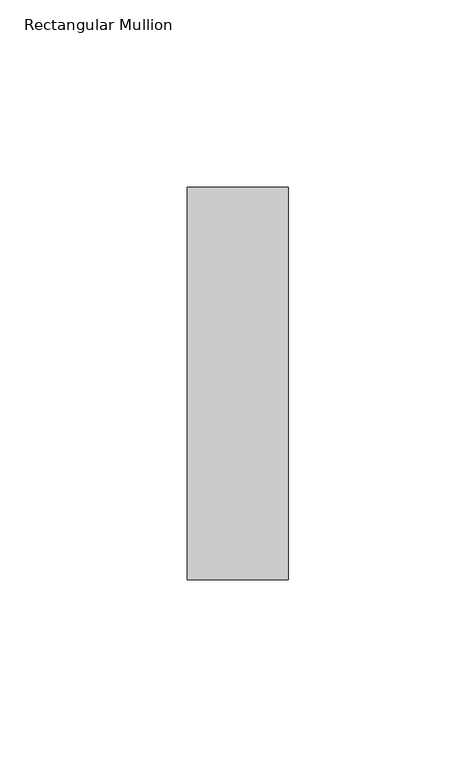
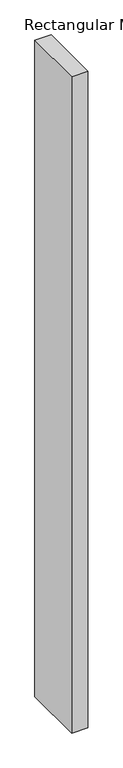
"""IFC4 building model written with IfcOpenShell, lengths in millimetres: member geometry, Rectangular Mullion."""

import ifcopenshell
import ifcopenshell.guid

model = None  # the IFC model being written
_history = None  # IfcOwnerHistory: only IFC2X3 demands one
_inside = {}  # id of a spatial element -> (the spatial element, [elements in it])
_under = {}  # id of a project, library or spatial element -> (it, [spatial elements below it])
_declared = {}  # id of a project -> (the project, [libraries it declares])
_typed = {}  # id of a type object -> (the type object, [elements of that type])
_made_of = {}  # id of a material, layer set ... -> (it, [elements and type objects made of it])


def new_model(schema):
    """Start an empty IFC model of exactly this schema.

    Asked for "IFC4X3", IfcOpenShell would pick the latest addendum, in which some entities
    have other attributes; the version numbers below select the first issue.
    IFC2X3 requires an IfcOwnerHistory on every rooted entity: one is made here for all.
    """
    global model, _history
    if schema == "IFC4X3":
        model = ifcopenshell.file(schema_version=(4, 3, 0, 0))
    else:
        model = ifcopenshell.file(schema=schema)
    _inside.clear()
    _under.clear()
    _declared.clear()
    _typed.clear()
    _made_of.clear()
    _history = None
    if model.schema == "IFC2X3":
        org = make("IfcOrganization", Name="unknown")
        user = make(
            "IfcPersonAndOrganization",
            ThePerson=make("IfcPerson", FamilyName="unknown"),
            TheOrganization=org,
        )
        app = make(
            "IfcApplication",
            ApplicationDeveloper=org,
            Version="unknown",
            ApplicationFullName="unknown",
            ApplicationIdentifier="unknown",
        )
        _history = make(
            "IfcOwnerHistory",
            OwningUser=user,
            OwningApplication=app,
            ChangeAction="ADDED",
            CreationDate=0,
        )
    return model


def make(cls, **values):
    """One entity of the class cls with the attributes given. An attribute that is None is left unset."""
    return model.create_entity(
        cls, **{name: value for name, value in values.items() if value is not None}
    )


def rooted(cls, **values):
    """An entity with a GlobalId (a new one), such as an element, a storey or a relation."""
    return make(cls, GlobalId=ifcopenshell.guid.new(), OwnerHistory=_history, **values)


def si_unit(unit_type, name, prefix=None):
    """IfcSIUnit, for example si_unit("LENGTHUNIT", "METRE", prefix="MILLI")."""
    return make("IfcSIUnit", UnitType=unit_type, Prefix=prefix, Name=name)


def assignment(units):
    """IfcUnitAssignment: the units of a project."""
    return None if units is None else make("IfcUnitAssignment", Units=units)


def point(xyz):
    """IfcCartesianPoint."""
    return None if xyz is None else make("IfcCartesianPoint", Coordinates=xyz)


def direction(xyz):
    """IfcDirection."""
    return None if xyz is None else make("IfcDirection", DirectionRatios=xyz)


def frame(location, z_axis=None, x_axis=None):
    """IfcAxis2Placement3D, a coordinate frame: its origin and axes. An axis left out is left unset."""
    return make(
        "IfcAxis2Placement3D",
        Location=point(location),
        Axis=direction(z_axis),
        RefDirection=direction(x_axis),
    )


def origin():
    """The frame at (0, 0, 0) with its axes left unset."""
    return frame((0.0, 0.0, 0.0))


def place(relative_to, where):
    """IfcLocalPlacement: puts the frame where relative to a parent placement (None: the world)."""
    return make(
        "IfcLocalPlacement", PlacementRelTo=relative_to, RelativePlacement=where
    )


def context(
    kind, dimensions, precision=None, world=None, true_north=None, identifier=None
):
    """IfcGeometricRepresentationContext, for example the 3D "Model" context."""
    return make(
        "IfcGeometricRepresentationContext",
        ContextIdentifier=identifier,
        ContextType=kind,
        CoordinateSpaceDimension=dimensions,
        Precision=precision,
        WorldCoordinateSystem=world,
        TrueNorth=true_north,
    )


def project(units=None, contexts=None):
    """IfcProject with its units and contexts."""
    return rooted(
        "IfcProject",
        Name="project",
        RepresentationContexts=contexts,
        UnitsInContext=assignment(units),
    )


def spatial(cls, under=None, at=None, **own):
    """A site, building, storey or space (cls), placed at a placement, below another one or the project."""
    s = rooted(cls, ObjectPlacement=at, **own)
    if under is not None:
        _under.setdefault(under.id(), (under, []))[1].append(s)
    return s


def polyline(points):
    """IfcPolyline through the points."""
    return make("IfcPolyline", Points=[point(p) for p in points])


def outline(outer, holes=None, kind="AREA"):
    """IfcArbitraryClosedProfileDef: a profile drawn as a closed curve; with holes, ...WithVoids."""
    if holes is None:
        return make("IfcArbitraryClosedProfileDef", ProfileType=kind, OuterCurve=outer)
    return make(
        "IfcArbitraryProfileDefWithVoids",
        ProfileType=kind,
        OuterCurve=outer,
        InnerCurves=holes,
    )


def extrude(swept, where, along, depth):
    """IfcExtrudedAreaSolid: the profile swept, set in the frame where, extruded along a direction by depth."""
    return make(
        "IfcExtrudedAreaSolid",
        SweptArea=swept,
        Position=where,
        ExtrudedDirection=direction(along),
        Depth=depth,
    )


def shape(context_of_items, identifier, shape_type, items):
    """IfcShapeRepresentation: the items that make up one representation, for example the "Body"."""
    return make(
        "IfcShapeRepresentation",
        ContextOfItems=context_of_items,
        RepresentationIdentifier=identifier,
        RepresentationType=shape_type,
        Items=items,
    )


def source(mapping_origin, context_of_items, identifier, shape_type, items):
    """IfcRepresentationMap: a shape defined once, which mapped items show again and again."""
    return make(
        "IfcRepresentationMap",
        MappingOrigin=mapping_origin,
        MappedRepresentation=shape(context_of_items, identifier, shape_type, items),
    )


def transform(
    local_origin,
    x_axis=None,
    y_axis=None,
    z_axis=None,
    scale=None,
    scale2=None,
    scale3=None,
    uniform=True,
):
    """IfcCartesianTransformationOperator3D, or its non-uniform kind. x_axis, y_axis, z_axis: its Axis1, 2, 3."""
    if uniform:
        return make(
            "IfcCartesianTransformationOperator3D",
            Axis1=direction(x_axis),
            Axis2=direction(y_axis),
            LocalOrigin=point(local_origin),
            Scale=scale,
            Axis3=direction(z_axis),
        )
    return make(
        "IfcCartesianTransformationOperator3DnonUniform",
        Axis1=direction(x_axis),
        Axis2=direction(y_axis),
        LocalOrigin=point(local_origin),
        Scale=scale,
        Axis3=direction(z_axis),
        Scale2=scale2,
        Scale3=scale3,
    )


def mapped(mapping_source, mapping_target):
    """IfcMappedItem: shows the shape of a source again, moved by a transform."""
    return make(
        "IfcMappedItem", MappingSource=mapping_source, MappingTarget=mapping_target
    )


def made_of(thing, what):
    """Note that an element or type object is made of a material, layer set ...; save() writes the relation."""
    if what is not None:
        _made_of.setdefault(what.id(), (what, []))[1].append(thing)
    return thing


def element(
    cls,
    number,
    at=None,
    inside=None,
    cuts=None,
    type_object=None,
    material=None,
    context=None,
    identifier="Body",
    shape_type=None,
    held_by="IfcProductDefinitionShape",
    body=None,
    shapes=None,
    **own,
):
    """One element of the class cls, such as IfcWall. Its Tag is "e" and its number.

    at: its placement. inside: the storey or other place that contains it. cuts: it is an
    opening in that element (IfcRelVoidsElement). A single representation is given by context,
    identifier, shape_type and body (its items); several are given by shapes. held_by: the class
    of the entity that holds the representations. save() writes the other relations.
    """
    e = rooted(cls, Tag="e%d" % number, ObjectPlacement=at, **own)
    if body is not None:
        shapes = [shape(context, identifier, shape_type, body)]
    if shapes is not None:
        e.Representation = make(held_by, Representations=shapes)
    if inside is not None:
        _inside.setdefault(inside.id(), (inside, []))[1].append(e)
    if cuts is not None:
        rooted(
            "IfcRelVoidsElement", RelatingBuildingElement=cuts, RelatedOpeningElement=e
        )
    if type_object is not None:
        _typed.setdefault(type_object.id(), (type_object, []))[1].append(e)
    return made_of(e, material)


def aggregate(whole, parts):
    """IfcRelAggregates: a whole, such as a stair, and the parts it consists of."""
    return rooted("IfcRelAggregates", RelatingObject=whole, RelatedObjects=parts)


def save(model, path):
    """Write the relations noted so far, then the file.

    IfcRelAggregates (storeys below a building ...), IfcRelContainedInSpatialStructure (elements
    in a storey), IfcRelDefinesByType, IfcRelAssociatesMaterial and IfcRelDeclares: one each for
    every whole, place, type object, material and project.
    """
    for whole, parts in _under.values():
        aggregate(whole, parts)
    for where, things in _inside.values():
        rooted(
            "IfcRelContainedInSpatialStructure",
            RelatedElements=things,
            RelatingStructure=where,
        )
    for kind, things in _typed.values():
        rooted("IfcRelDefinesByType", RelatedObjects=things, RelatingType=kind)
    for what, things in _made_of.values():
        rooted("IfcRelAssociatesMaterial", RelatedObjects=things, RelatingMaterial=what)
    for by, libraries in _declared.values():
        rooted("IfcRelDeclares", RelatingContext=by, RelatedDefinitions=libraries)
    model.write(path)


def rectangular_mullion_f95e3a0e(model_context):
    return source(origin(), model_context, "Body", "SweptSolid", [
        extrude(outline(polyline([(0.0, 52.3975), (0.0, -52.3975), (-27.0, -52.3975), (-27.0, 52.3975), (0.0, 52.3975)])), frame((0.0, 0.0, -1146.0), z_axis=(0.0, 0.0, 1.0), x_axis=(1.0, 0.0, 0.0)), (0.0, 0.0, 1.0), 1146.0),
    ])


if __name__ == "__main__":
    model = new_model("IFC4")
    model_context = context("Model", 3, world=origin())
    ifc_project = project(units=[si_unit("LENGTHUNIT", "METRE", prefix="MILLI")], contexts=[model_context])
    site = spatial("IfcSite", under=ifc_project)
    building = spatial("IfcBuilding", under=site)
    placement = place(None, origin())
    rectangular_mullion_shape = rectangular_mullion_f95e3a0e(model_context)
    element("IfcMember", 1, ObjectType="Rectangular Mullion", at=placement, inside=building, context=model_context, shape_type="MappedRepresentation", body=[
        mapped(rectangular_mullion_shape, transform((0.0, 0.0, 0.0), x_axis=(1.0, 0.0, 0.0), y_axis=(0.0, 1.0, 0.0), z_axis=(0.0, 0.0, 1.0))),
    ])
    save(model, "model.ifc")
